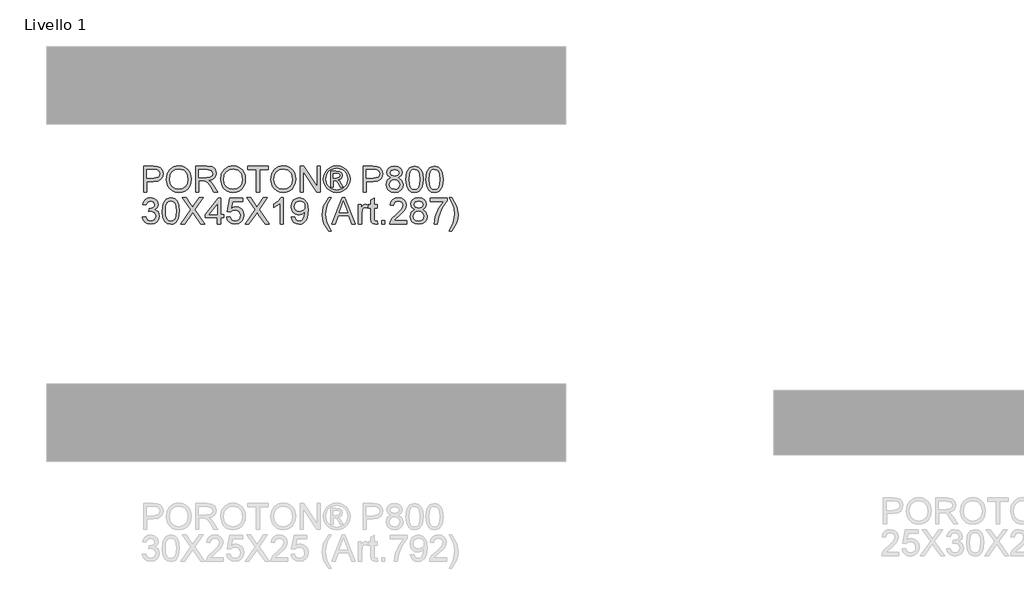
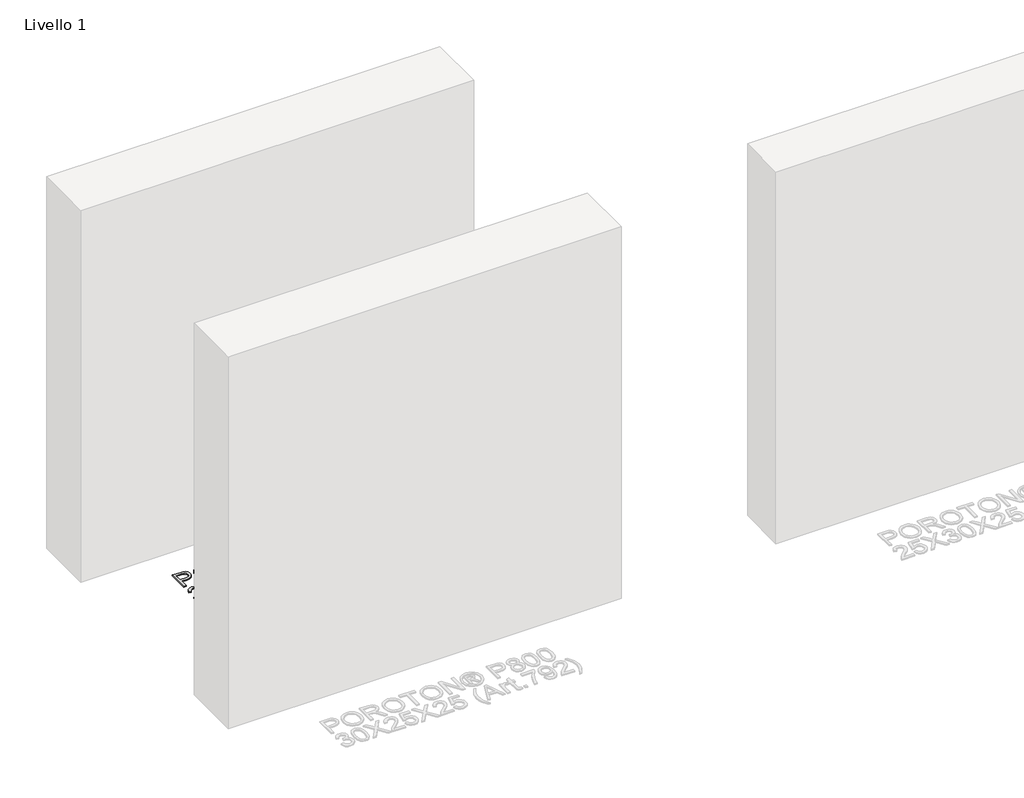
# One storey, part 5 of 8: 1 proxy.
"""IFC4 building model written with IfcOpenShell, lengths in millimetres."""

from ifc_helpers import new_model, si_unit, origin, origin_with_axes, place, context, project, spatial, polyline, outline, extrude, element, save

model = new_model("IFC4")

# Units and contexts
model_context = context("Model", 3, world=origin())
ifc_project = project(units=[si_unit("LENGTHUNIT", "METRE", prefix="MILLI")], contexts=[model_context])

# Site, building, storey
site = spatial("IfcSite", under=ifc_project)
building = spatial("IfcBuilding", under=site)
storey = spatial("IfcBuildingStorey", under=building, Name="Livello 1", Elevation=0.0)

# Proxy
placement = place(None, origin())
element("IfcBuildingElementProxy", 1, Name="100", ObjectType="100", at=placement, inside=storey, context=model_context, shape_type="SweptSolid", body=[
    extrude(outline(polyline([(-1769.2904212, 5165.8662597), (-1769.2904212, 5266.3225698), (-1732.0607633, 5266.3225698), (-1717.0511779, 5265.3660766), (-1704.8497584, 5260.6694498), (-1696.9402955, 5250.9573651), (-1693.9481886, 5237.2598922), (-1695.9684739, 5225.4202233), (-1702.0293298, 5215.5548545), (-1713.3631609, 5208.8961904), (-1731.202372, 5206.6766356), (-1756.7333825, 5206.6766356), (-1756.7333825, 5165.8662597), (-1769.2904212, 5165.8662597)]), holes=[polyline([(-1756.7333825, 5219.2336744), (-1730.466608, 5219.2336744), (-1711.9744064, 5223.8444621), (-1707.8725221, 5229.3933489), (-1706.5052274, 5236.8184338), (-1709.7303262, 5247.2172315), (-1718.2038748, 5252.9071397), (-1730.7609136, 5253.765531), (-1756.7333825, 5253.765531), (-1756.7333825, 5219.2336744)])]), origin_with_axes(), (0.0, 0.0, 1.0), 5.0),
    extrude(outline(polyline([(-1681.3911499, 5214.7700395), (-1678.0434237, 5236.9839807), (-1668.0002452, 5253.7900565), (-1652.6656974, 5264.3666639), (-1633.4438632, 5267.8921996), (-1620.2675564, 5266.2367307), (-1608.4524129, 5261.2703237), (-1598.6422264, 5253.3424667), (-1591.4807902, 5242.8026476), (-1587.1029945, 5230.1597697), (-1585.6437292, 5215.9227365), (-1587.1796366, 5201.4956309), (-1591.7873586, 5188.6749434), (-1599.2124435, 5178.1167301), (-1609.2004397, 5170.4770473), (-1620.9144155, 5165.8417342), (-1633.5174396, 5164.2966298), (-1646.8960814, 5166.0042154), (-1658.7786699, 5171.1269722), (-1668.564331, 5179.201982), (-1675.6521907, 5189.7663266), (-1681.3911499, 5214.7700395)]), holes=[polyline([(-1668.8341111, 5214.6474122), (-1666.3233165, 5198.9327197), (-1658.7909326, 5186.9581607), (-1647.4693642, 5179.3797916), (-1633.591016, 5176.8536686), (-1619.5103326, 5179.4043171), (-1608.1703701, 5187.0562626), (-1600.6931685, 5199.3987035), (-1598.200768, 5216.0208383), (-1602.4681992, 5236.7448574), (-1614.9393988, 5250.4668558), (-1633.3702868, 5255.3351609), (-1646.8776873, 5252.9899132), (-1658.361737, 5245.95417), (-1666.2160176, 5233.4369851), (-1668.8341111, 5214.6474122)])]), origin_with_axes(), (0.0, 0.0, 1.0), 5.0),
    extrude(outline(polyline([(-1568.3778009, 5165.8662597), (-1568.3778009, 5266.3225698), (-1525.0903528, 5266.3225698), (-1504.9917332, 5263.6125058), (-1494.0043242, 5254.0230484), (-1489.8963086, 5238.829522), (-1491.5977629, 5228.9334964), (-1496.7021255, 5220.7297279), (-1505.3626808, 5214.7148572), (-1517.7327129, 5211.3855252), (-1510.5958022, 5206.0144481), (-1500.4177337, 5193.0895273), (-1483.6668402, 5165.8662597), (-1498.2594927, 5165.8662597), (-1511.3315662, 5186.6883806), (-1520.7738708, 5200.4716927), (-1527.4080094, 5206.983204), (-1533.3799605, 5209.3744369), (-1540.664024, 5209.8158953), (-1555.8207622, 5209.8158953), (-1555.8207622, 5165.8662597), (-1568.3778009, 5165.8662597)]), holes=[polyline([(-1555.8207622, 5222.3729341), (-1527.7145777, 5222.3729341), (-1513.3794427, 5224.1510304), (-1505.2369878, 5229.8409386), (-1502.4533474, 5238.3635382), (-1507.7631109, 5249.4245235), (-1524.5507926, 5253.765531), (-1555.8207622, 5253.765531), (-1555.8207622, 5222.3729341)])]), origin_with_axes(), (0.0, 0.0, 1.0), 5.0),
    extrude(outline(polyline([(-1472.6303803, 5214.7700395), (-1469.2826542, 5236.9839807), (-1459.2394757, 5253.7900565), (-1443.9049279, 5264.3666639), (-1424.6830936, 5267.8921996), (-1411.5067868, 5266.2367307), (-1399.6916434, 5261.2703237), (-1389.8814569, 5253.3424667), (-1382.7200207, 5242.8026476), (-1378.342225, 5230.1597697), (-1376.8829597, 5215.9227365), (-1378.418867, 5201.4956309), (-1383.026589, 5188.6749434), (-1390.451674, 5178.1167301), (-1400.4396701, 5170.4770473), (-1412.153646, 5165.8417342), (-1424.75667, 5164.2966298), (-1438.1353119, 5166.0042154), (-1450.0179004, 5171.1269722), (-1459.8035614, 5179.201982), (-1466.8914212, 5189.7663266), (-1472.6303803, 5214.7700395)]), holes=[polyline([(-1460.0733416, 5214.6474122), (-1457.5625469, 5198.9327197), (-1450.0301631, 5186.9581607), (-1438.7085947, 5179.3797916), (-1424.8302464, 5176.8536686), (-1410.7495631, 5179.4043171), (-1399.4096006, 5187.0562626), (-1391.932399, 5199.3987035), (-1389.4399985, 5216.0208383), (-1393.7074296, 5236.7448574), (-1406.1786293, 5250.4668558), (-1424.6095172, 5255.3351609), (-1438.1169178, 5252.9899132), (-1449.6009674, 5245.95417), (-1457.455248, 5233.4369851), (-1460.0733416, 5214.6474122)])]), origin_with_axes(), (0.0, 0.0, 1.0), 5.0),
    extrude(outline(polyline([(-1334.5029539, 5165.8662597), (-1334.5029539, 5253.765531), (-1367.4651806, 5253.765531), (-1367.4651806, 5266.3225698), (-1288.9836883, 5266.3225698), (-1288.9836883, 5253.765531), (-1321.9459151, 5253.765531), (-1321.9459151, 5165.8662597), (-1334.5029539, 5165.8662597)])), origin_with_axes(), (0.0, 0.0, 1.0), 5.0),
    extrude(outline(polyline([(-1279.5659093, 5214.7700395), (-1276.2181831, 5236.9839807), (-1266.1750046, 5253.7900565), (-1250.8404568, 5264.3666639), (-1231.6186226, 5267.8921996), (-1218.4423158, 5266.2367307), (-1206.6271723, 5261.2703237), (-1196.8169858, 5253.3424667), (-1189.6555496, 5242.8026476), (-1185.2777539, 5230.1597697), (-1183.8184886, 5215.9227365), (-1185.354396, 5201.4956309), (-1189.962118, 5188.6749434), (-1197.3872029, 5178.1167301), (-1207.3751991, 5170.4770473), (-1219.0891749, 5165.8417342), (-1231.692199, 5164.2966298), (-1245.0708408, 5166.0042154), (-1256.9534293, 5171.1269722), (-1266.7390904, 5179.201982), (-1273.8269501, 5189.7663266), (-1279.5659093, 5214.7700395)]), holes=[polyline([(-1267.0088705, 5214.6474122), (-1264.4980759, 5198.9327197), (-1256.965692, 5186.9581607), (-1245.6441236, 5179.3797916), (-1231.7657754, 5176.8536686), (-1217.685092, 5179.4043171), (-1206.3451295, 5187.0562626), (-1198.8679279, 5199.3987035), (-1196.3755274, 5216.0208383), (-1200.6429586, 5236.7448574), (-1213.1141582, 5250.4668558), (-1231.5450462, 5255.3351609), (-1245.0524467, 5252.9899132), (-1256.5364964, 5245.95417), (-1264.390777, 5233.4369851), (-1267.0088705, 5214.6474122)])]), origin_with_axes(), (0.0, 0.0, 1.0), 5.0),
    extrude(outline(polyline([(-1166.5525603, 5165.8662597), (-1166.5525603, 5266.3225698), (-1153.1126048, 5266.3225698), (-1100.6281068, 5186.7374315), (-1100.6281068, 5266.3225698), (-1088.071068, 5266.3225698), (-1088.071068, 5165.8662597), (-1101.5110236, 5165.8662597), (-1153.9955216, 5245.4759234), (-1153.9955216, 5165.8662597), (-1166.5525603, 5165.8662597)])), origin_with_axes(), (0.0, 0.0, 1.0), 5.0),
    extrude(outline(polyline([(-1025.2613487, 5267.8921996), (-1012.3670848, 5266.2183366), (-999.7793892, 5261.1967473), (-988.7214696, 5253.0604239), (-980.4165335, 5242.0423581), (-975.2202003, 5229.3197725), (-973.4880893, 5216.0698893), (-975.1956749, 5202.936502), (-980.3184317, 5190.3181496), (-988.5222001, 5179.3399377), (-999.4728209, 5171.1269722), (-1012.0819763, 5166.0042154), (-1025.2613487, 5164.2966298), (-1038.4223271, 5166.0042154), (-1051.0253511, 5171.1269722), (-1061.9851689, 5179.3399377), (-1070.2165285, 5190.3181496), (-1075.3668765, 5202.936502), (-1077.0836591, 5216.0698893), (-1075.342351, 5229.3197725), (-1070.1184267, 5242.0423581), (-1061.7858995, 5253.0604239), (-1050.7187828, 5261.1967473), (-1038.1372186, 5266.2183366), (-1025.2613487, 5267.8921996)]), holes=[polyline([(-1025.2613487, 5258.4744206), (-1046.0834697, 5252.9929788), (-1055.111907, 5246.331249), (-1061.9391836, 5237.3089431), (-1067.66588, 5216.0698893), (-1062.0495482, 5195.0147764), (-1046.3287243, 5179.3307407), (-1025.2613487, 5173.7144089), (-1004.1817104, 5179.3307407), (-988.4976747, 5195.0147764), (-982.9058683, 5216.0698893), (-988.5957765, 5237.3089431), (-995.4046591, 5246.331249), (-1004.4514905, 5252.9929788), (-1025.2613487, 5258.4744206)])]), origin_with_axes(), (0.0, 0.0, 1.0), 5.0),
    extrude(outline(polyline([(-1048.8303219, 5184.7018178), (-1048.8303219, 5247.4870116), (-1028.5477612, 5247.4870116), (-1013.4891249, 5245.7579663), (-1006.0701713, 5239.7247015), (-1003.3110563, 5230.5644399), (-1008.0689968, 5218.6450632), (-1020.6750865, 5212.955155), (-1015.7699933, 5209.6196916), (-1007.2106055, 5197.0871783), (-1000.1717967, 5184.7018178), (-1010.7667981, 5184.7018178), (-1016.285028, 5194.6591571), (-1025.5311289, 5209.0801314), (-1033.5509564, 5211.3855252), (-1039.4125428, 5211.3855252), (-1039.4125428, 5184.7018178), (-1048.8303219, 5184.7018178)]), holes=[polyline([(-1039.4125428, 5220.8033043), (-1027.4931662, 5220.8033043), (-1015.8435697, 5223.1945372), (-1012.7288354, 5229.5343703), (-1014.2248889, 5234.096107), (-1018.3819554, 5237.0882139), (-1028.2534556, 5238.0692326), (-1039.4125428, 5238.0692326), (-1039.4125428, 5220.8033043)])]), origin_with_axes(), (0.0, 0.0, 1.0), 5.0),
    extrude(outline(polyline([(-923.2599342, 5165.8662597), (-923.2599342, 5266.3225698), (-886.0302763, 5266.3225698), (-871.0206909, 5265.3660766), (-858.8192714, 5260.6694498), (-850.9098085, 5250.9573651), (-847.9177016, 5237.2598922), (-849.9379869, 5225.4202233), (-855.9988427, 5215.5548545), (-867.3326739, 5208.8961904), (-885.171885, 5206.6766356), (-910.7028954, 5206.6766356), (-910.7028954, 5165.8662597), (-923.2599342, 5165.8662597)]), holes=[polyline([(-910.7028954, 5219.2336744), (-884.436121, 5219.2336744), (-865.9439193, 5223.8444621), (-861.8420351, 5229.3933489), (-860.4747404, 5236.8184338), (-863.6998392, 5247.2172315), (-872.1733878, 5252.9071397), (-884.7304266, 5253.765531), (-910.7028954, 5253.765531), (-910.7028954, 5219.2336744)])]), origin_with_axes(), (0.0, 0.0, 1.0), 5.0),
    extrude(outline(polyline([(-817.0646649, 5221.1957117), (-828.505795, 5228.99481), (-832.2214031, 5241.1349159), (-830.1980522, 5250.9512338), (-824.1279992, 5259.0630318), (-814.6918261, 5264.5076853), (-802.5701143, 5266.3225698), (-790.3748262, 5264.4647657), (-780.8160257, 5258.8913535), (-774.6356081, 5250.6507968), (-772.575469, 5240.7915593), (-776.2420262, 5228.9580218), (-787.3643252, 5221.1957117), (-774.0102088, 5211.348737), (-769.4362093, 5195.1006155), (-771.7048149, 5183.0953998), (-778.5106318, 5173.1748486), (-789.0197942, 5166.5161845), (-802.398436, 5164.2966298), (-815.7770779, 5166.5253816), (-826.2862403, 5173.2116368), (-833.0920572, 5183.2272241), (-835.3606628, 5195.4439721), (-830.6027223, 5212.0722382), (-817.0646649, 5221.1957117)]), holes=[polyline([(-819.6643644, 5240.7670339), (-815.2129922, 5230.9077964), (-802.2512833, 5227.0818236), (-789.5470917, 5230.8832709), (-785.1325077, 5240.2029481), (-789.6942445, 5249.8537191), (-802.398436, 5253.765531), (-815.1394158, 5249.9395583), (-819.6643644, 5240.7670339)]), polyline([(-822.803624, 5195.8854305), (-820.7066967, 5186.4308632), (-813.2877431, 5179.3552661), (-802.3003342, 5176.8536686), (-793.7532092, 5178.1688467), (-787.3397997, 5182.1143811), (-781.9932481, 5195.493023), (-787.511478, 5209.1291823), (-794.0720402, 5213.1758842), (-802.7172671, 5214.5247849), (-811.1448305, 5213.1942783), (-817.4938606, 5209.2027587), (-822.803624, 5195.8854305)])]), origin_with_axes(), (0.0, 0.0, 1.0), 5.0),
    extrude(outline(polyline([(-758.4488004, 5215.2850743), (-754.7577177, 5244.1883364), (-743.7948342, 5260.8533908), (-725.4865736, 5266.3225698), (-710.8203447, 5263.0852082), (-700.6913271, 5253.7532683), (-694.8052152, 5238.8908357), (-692.5243468, 5215.2850743), (-696.1786413, 5186.5044396), (-707.1047366, 5169.802597), (-715.3360962, 5165.6731216), (-725.4865736, 5164.2966298), (-738.5341217, 5166.6878628), (-748.4424101, 5173.8615617), (-755.9472028, 5190.8515785), (-758.4488004, 5215.2850743)]), holes=[polyline([(-745.8917616, 5215.3095998), (-744.4202336, 5195.5574023), (-740.0056497, 5184.1254693), (-733.4328247, 5178.6716188), (-725.4865736, 5176.8536686), (-717.5403225, 5178.6777501), (-710.9674975, 5184.1499948), (-706.5529136, 5195.5880592), (-705.0813856, 5215.3095998), (-706.5038626, 5234.6172732), (-710.7712938, 5246.138111), (-717.331856, 5251.858676), (-725.6337264, 5253.765531), (-733.4941384, 5252.0855366), (-739.8094459, 5247.0455533), (-744.3711827, 5234.8073455), (-745.8917616, 5215.3095998)])]), origin_with_axes(), (0.0, 0.0, 1.0), 5.0),
    extrude(outline(polyline([(-681.5369379, 5215.2850743), (-677.8458552, 5244.1883364), (-666.8829718, 5260.8533908), (-648.5747111, 5266.3225698), (-633.9084823, 5263.0852082), (-623.7794647, 5253.7532683), (-617.8933527, 5238.8908357), (-615.6124844, 5215.2850743), (-619.2667789, 5186.5044396), (-630.1928741, 5169.802597), (-638.4242337, 5165.6731216), (-648.5747111, 5164.2966298), (-661.6222592, 5166.6878628), (-671.5305476, 5173.8615617), (-679.0353403, 5190.8515785), (-681.5369379, 5215.2850743)]), holes=[polyline([(-668.9798991, 5215.3095998), (-667.5083712, 5195.5574023), (-663.0937872, 5184.1254693), (-656.5209622, 5178.6716188), (-648.5747111, 5176.8536686), (-640.62846, 5178.6777501), (-634.0556351, 5184.1499948), (-629.6410511, 5195.5880592), (-628.1695231, 5215.3095998), (-629.5920002, 5234.6172732), (-633.8594313, 5246.138111), (-640.4199936, 5251.858676), (-648.7218639, 5253.765531), (-656.5822759, 5252.0855366), (-662.8975835, 5247.0455533), (-667.4593202, 5234.8073455), (-668.9798991, 5215.3095998)])]), origin_with_axes(), (0.0, 0.0, 1.0), 5.0),
    extrude(outline(polyline([(-1773.9993108, 5070.5751492), (-1761.442272, 5072.144779), (-1754.5138278, 5058.9255527), (-1741.5521188, 5054.8788507), (-1732.9436801, 5056.2706709), (-1726.2972787, 5060.4461316), (-1720.631896, 5074.2294437), (-1726.2482278, 5087.2156781), (-1740.5220492, 5092.3537633), (-1749.3266916, 5090.9803372), (-1747.9287401, 5103.537376), (-1745.9176518, 5103.3902232), (-1731.6683559, 5106.9954667), (-1726.9226781, 5111.5694662), (-1725.3407855, 5118.0809775), (-1729.9270478, 5127.9034268), (-1741.7483225, 5131.7907132), (-1753.7167501, 5127.8666386), (-1759.8726422, 5116.0944147), (-1772.4296809, 5117.6640446), (-1768.7324669, 5128.9396277), (-1762.1535105, 5137.357994), (-1753.1526644, 5142.6003125), (-1742.1897809, 5144.347752), (-1727.0453055, 5140.9019239), (-1716.450304, 5131.4841449), (-1712.7837468, 5118.8167415), (-1716.266363, 5107.2407214), (-1726.5670589, 5098.9265883), (-1712.8818486, 5090.3426751), (-1708.0748572, 5074.0087145), (-1710.4783529, 5061.7705068), (-1717.68884, 5051.5433873), (-1728.5720157, 5044.6272058), (-1741.9935772, 5042.321812), (-1754.133683, 5044.2899806), (-1764.017446, 5050.1944867), (-1770.8907079, 5059.2259896), (-1773.9993108, 5070.5751492)])), origin_with_axes(), (0.0, 0.0, 1.0), 5.0),
    extrude(outline(polyline([(-1697.0874483, 5093.3102565), (-1693.3963656, 5122.2135186), (-1682.4334822, 5138.878573), (-1664.1252216, 5144.347752), (-1649.4589927, 5141.1103904), (-1639.3299751, 5131.7784505), (-1633.4438632, 5116.9160178), (-1631.1629948, 5093.3102565), (-1634.8172893, 5064.5296217), (-1645.7433845, 5047.8277792), (-1653.9747442, 5043.6983038), (-1664.1252216, 5042.321812), (-1677.1727696, 5044.7130449), (-1687.0810581, 5051.8867438), (-1694.5858508, 5068.8767606), (-1697.0874483, 5093.3102565)]), holes=[polyline([(-1684.5304096, 5093.334782), (-1683.0588816, 5073.5825845), (-1678.6442976, 5062.1506515), (-1672.0714726, 5056.6968009), (-1664.1252216, 5054.8788507), (-1656.1789705, 5056.7029323), (-1649.6061455, 5062.175177), (-1645.1915615, 5073.6132413), (-1643.7200336, 5093.334782), (-1645.1425106, 5112.6424553), (-1649.4099417, 5124.1632932), (-1655.970504, 5129.8838582), (-1664.2723743, 5131.7907132), (-1672.1327863, 5130.1107187), (-1678.4480939, 5125.0707354), (-1683.0098306, 5112.8325277), (-1684.5304096, 5093.334782)])]), origin_with_axes(), (0.0, 0.0, 1.0), 5.0),
    extrude(outline(polyline([(-1626.4541052, 5043.8914418), (-1587.7283939, 5098.6322827), (-1620.1755859, 5144.347752), (-1605.1169495, 5144.347752), (-1586.8454771, 5118.6205378), (-1580.689585, 5108.589622), (-1573.4790979, 5118.792216), (-1555.4038292, 5144.347752), (-1540.1244637, 5144.347752), (-1572.5716557, 5098.4851299), (-1533.8459443, 5043.8914418), (-1548.9045807, 5043.8914418), (-1574.7053713, 5080.2872339), (-1580.0764484, 5087.8410775), (-1585.9870858, 5079.5514699), (-1611.1747397, 5043.8914418), (-1626.4541052, 5043.8914418)])), origin_with_axes(), (0.0, 0.0, 1.0), 5.0),
    extrude(outline(polyline([(-1485.1874191, 5043.8914418), (-1485.1874191, 5067.4358895), (-1530.7066846, 5067.4358895), (-1530.7066846, 5079.9929283), (-1482.0481594, 5142.7781221), (-1472.6303803, 5142.7781221), (-1472.6303803, 5079.9929283), (-1460.0733416, 5079.9929283), (-1460.0733416, 5067.4358895), (-1472.6303803, 5067.4358895), (-1472.6303803, 5043.8914418), (-1485.1874191, 5043.8914418)]), holes=[polyline([(-1485.1874191, 5079.9929283), (-1485.1874191, 5118.792216), (-1515.2556408, 5079.9929283), (-1485.1874191, 5079.9929283)])]), origin_with_axes(), (0.0, 0.0, 1.0), 5.0),
    extrude(outline(polyline([(-1449.0859326, 5070.5751492), (-1436.5288939, 5072.144779), (-1430.2013236, 5059.2075955), (-1417.0801991, 5054.8788507), (-1408.0793529, 5056.3841012), (-1401.3348497, 5060.8998527), (-1397.1226008, 5067.904939), (-1395.7185179, 5076.878194), (-1400.9792304, 5091.7896776), (-1407.5857779, 5095.8915618), (-1416.8839953, 5097.2588566), (-1427.9081924, 5095.0760901), (-1434.959264, 5089.4107073), (-1447.5163028, 5090.9803372), (-1436.5288939, 5142.7781221), (-1387.8703686, 5142.7781221), (-1387.8703686, 5130.2210833), (-1426.3753508, 5130.2210833), (-1431.7464279, 5102.5563573), (-1422.7762386, 5108.0010108), (-1413.3768536, 5109.8158953), (-1401.6444837, 5107.5656838), (-1391.9048079, 5100.8150492), (-1385.3473113, 5090.5266161), (-1383.1614791, 5077.663009), (-1385.1296478, 5065.1059702), (-1391.0341538, 5054.3638159), (-1402.3403938, 5045.332313), (-1417.12925, 5042.321812), (-1429.4624939, 5044.2562581), (-1439.2880088, 5050.0595966), (-1446.023315, 5059.0573771), (-1449.0859326, 5070.5751492)])), origin_with_axes(), (0.0, 0.0, 1.0), 5.0),
    extrude(outline(polyline([(-1378.4525896, 5043.8914418), (-1339.7268782, 5098.6322827), (-1372.1740702, 5144.347752), (-1357.1154338, 5144.347752), (-1338.8439614, 5118.6205378), (-1332.6880694, 5108.589622), (-1325.4775823, 5118.792216), (-1307.4023136, 5144.347752), (-1292.122948, 5144.347752), (-1324.57014, 5098.4851299), (-1285.8444286, 5043.8914418), (-1300.903065, 5043.8914418), (-1326.7038556, 5080.2872339), (-1332.0749327, 5087.8410775), (-1337.9855701, 5079.5514699), (-1363.173224, 5043.8914418), (-1378.4525896, 5043.8914418)])), origin_with_axes(), (0.0, 0.0, 1.0), 5.0),
    extrude(outline(polyline([(-1230.907384, 5043.8914418), (-1243.4644228, 5043.8914418), (-1243.4644228, 5122.1767304), (-1255.359274, 5113.7031818), (-1268.5785003, 5107.3633487), (-1268.5785003, 5119.2336744), (-1250.1721378, 5130.9813728), (-1239.0007879, 5144.347752), (-1230.907384, 5144.347752), (-1230.907384, 5043.8914418)])), origin_with_axes(), (0.0, 0.0, 1.0), 5.0),
    extrude(outline(polyline([(-1199.5147871, 5069.0055193), (-1186.9577483, 5070.5751492), (-1181.3168911, 5058.5944589), (-1170.6237878, 5054.8788507), (-1160.457982, 5057.2700837), (-1153.5663259, 5063.6589677), (-1149.4583103, 5074.5728002), (-1147.6434258, 5089.1409272), (-1147.7170022, 5091.5934738), (-1157.7601807, 5082.0775929), (-1171.53123, 5078.4232984), (-1182.9815571, 5080.6551159), (-1192.5127665, 5087.3505682), (-1198.9415043, 5097.6941836), (-1201.084417, 5110.8704904), (-1198.8372711, 5124.4821242), (-1192.0958335, 5135.1507021), (-1181.9698816, 5142.0484895), (-1169.5691927, 5144.347752), (-1151.677865, 5139.0993022), (-1139.3660809, 5124.1387677), (-1135.1599634, 5096.0325833), (-1139.3538182, 5065.5351659), (-1144.5685454, 5055.544104), (-1151.8250178, 5048.2569748), (-1160.8105355, 5043.8056027), (-1171.2123989, 5042.321812), (-1181.9484218, 5044.0723171), (-1190.513941, 5049.3238326), (-1196.5042861, 5057.7452646), (-1199.5147871, 5069.0055193)]), holes=[polyline([(-1147.7170022, 5111.164796), (-1149.0720342, 5119.6751328), (-1153.1371303, 5126.2234323), (-1159.4463065, 5130.398893), (-1167.533579, 5131.7907132), (-1175.9212885, 5130.2915941), (-1182.6412663, 5125.7942367), (-1187.0558502, 5118.9117777), (-1188.5273782, 5110.2573537), (-1187.135558, 5102.4981093), (-1182.9600973, 5096.3391516), (-1176.4056664, 5092.3200408), (-1167.8769355, 5090.9803372), (-1153.3946476, 5096.3391516), (-1149.1364136, 5102.7249699), (-1147.7170022, 5111.164796)])]), origin_with_axes(), (0.0, 0.0, 1.0), 5.0),
    extrude(outline(polyline([(-1056.6784711, 5015.6381046), (-1074.5084851, 5045.0931897), (-1079.9715328, 5062.2732788), (-1081.7925487, 5080.0665047), (-1076.3478951, 5110.6007103), (-1056.6784711, 5144.347752), (-1047.260692, 5144.347752), (-1059.0083904, 5124.4575987), (-1066.0717247, 5105.1805822), (-1069.2355099, 5079.9929283), (-1063.7418054, 5047.8032537), (-1047.260692, 5015.6381046), (-1056.6784711, 5015.6381046)])), origin_with_axes(), (0.0, 0.0, 1.0), 5.0),
    extrude(outline(polyline([(-1044.8326709, 5043.8914418), (-1004.7335334, 5144.347752), (-994.0404301, 5144.347752), (-953.9412926, 5043.8914418), (-967.2095699, 5043.8914418), (-978.7120136, 5075.2840387), (-1020.0864753, 5075.2840387), (-1031.5643936, 5043.8914418), (-1044.8326709, 5043.8914418)]), holes=[polyline([(-1015.4756877, 5087.8410775), (-983.2982758, 5087.8410775), (-992.3481729, 5112.5382221), (-999.3869817, 5131.7907132), (-1005.6409757, 5114.6964631), (-1015.4756877, 5087.8410775)])]), origin_with_axes(), (0.0, 0.0, 1.0), 5.0),
    extrude(outline(polyline([(-942.0954924, 5043.8914418), (-942.0954924, 5117.6640446), (-931.1080834, 5117.6640446), (-931.1080834, 5106.750212), (-923.3089851, 5116.8056532), (-915.4608359, 5119.2336744), (-902.8547462, 5115.3586507), (-907.0486009, 5104.1014617), (-915.8777688, 5106.6766356), (-922.9778913, 5104.1995635), (-927.5028399, 5097.332433), (-929.5384536, 5082.6662041), (-929.5384536, 5043.8914418), (-942.0954924, 5043.8914418)])), origin_with_axes(), (0.0, 0.0, 1.0), 5.0),
    extrude(outline(polyline([(-868.3228896, 5054.3638159), (-866.7532597, 5043.5235598), (-876.1465133, 5042.321812), (-886.6679384, 5044.4064766), (-891.9163882, 5049.8756556), (-893.4369671, 5064.1249515), (-893.4369671, 5105.1070058), (-902.8547462, 5105.1070058), (-902.8547462, 5117.6640446), (-893.4369671, 5117.6640446), (-893.4369671, 5135.5921605), (-880.8799284, 5142.9743258), (-880.8799284, 5117.6640446), (-868.3228896, 5117.6640446), (-868.3228896, 5105.1070058), (-880.8799284, 5105.1070058), (-880.8799284, 5064.4928335), (-880.2177408, 5058.0181104), (-878.0717625, 5055.7249793), (-873.7920686, 5054.8788507), (-868.3228896, 5054.3638159)])), origin_with_axes(), (0.0, 0.0, 1.0), 5.0),
    extrude(outline(polyline([(-852.6265911, 5043.8914418), (-852.6265911, 5056.4484806), (-840.0695524, 5056.4484806), (-840.0695524, 5043.8914418), (-852.6265911, 5043.8914418)])), origin_with_axes(), (0.0, 0.0, 1.0), 5.0),
    extrude(outline(polyline([(-755.3095407, 5056.4484806), (-755.3095407, 5043.8914418), (-821.2339942, 5043.8914418), (-819.8850936, 5052.5489314), (-812.2576735, 5065.8785224), (-796.5368496, 5080.4343867), (-774.8563373, 5101.3546095), (-769.4362093, 5115.5793799), (-774.549769, 5127.0940864), (-787.9038854, 5131.7907132), (-801.8220876, 5127.204451), (-807.1073256, 5114.5247849), (-819.6643644, 5116.0944147), (-816.6201408, 5128.2406519), (-810.0381188, 5137.1127394), (-800.2616548, 5142.5389988), (-787.6341053, 5144.347752), (-774.9145853, 5142.3366637), (-765.1565154, 5136.303399), (-758.9485067, 5127.2902901), (-756.8791705, 5116.3396694), (-759.110988, 5104.4325555), (-766.5299415, 5092.1207714), (-784.5193711, 5074.9161567), (-798.9648708, 5062.8373646), (-804.6302535, 5056.4484806), (-755.3095407, 5056.4484806)])), origin_with_axes(), (0.0, 0.0, 1.0), 5.0),
    extrude(outline(polyline([(-724.456504, 5099.2208939), (-735.8976341, 5107.0199922), (-739.6132422, 5119.160098), (-737.5898912, 5128.9764159), (-731.5198383, 5137.0882139), (-722.0836651, 5142.5328674), (-709.9619534, 5144.347752), (-697.7666653, 5142.4899479), (-688.2078647, 5136.9165357), (-682.0274472, 5128.675979), (-679.9673081, 5118.8167415), (-683.6338653, 5106.983204), (-694.7561643, 5099.2208939), (-681.4020478, 5089.3739191), (-676.8280484, 5073.1257977), (-679.096654, 5061.1205819), (-685.9024709, 5051.2000308), (-696.4116332, 5044.5413667), (-709.7902751, 5042.321812), (-723.168917, 5044.5505637), (-733.6780794, 5051.236819), (-740.4838963, 5061.2524063), (-742.7525019, 5073.4691542), (-737.9945614, 5090.0974204), (-724.456504, 5099.2208939)]), holes=[polyline([(-730.1954631, 5073.9106126), (-728.0985358, 5064.4560453), (-720.6795822, 5057.3804483), (-709.6921733, 5054.8788507), (-701.1450482, 5056.1940289), (-694.7316388, 5060.1395633), (-689.3850871, 5073.5182052), (-694.9033171, 5087.1543644), (-701.4638793, 5091.2010664), (-710.1091062, 5092.549967), (-718.5366696, 5091.2194605), (-724.8856997, 5087.2279408), (-730.1954631, 5073.9106126)]), polyline([(-727.0562034, 5118.792216), (-722.6048313, 5108.9329786), (-709.6431223, 5105.1070058), (-696.9389308, 5108.9084531), (-692.5243468, 5118.2281303), (-697.0860836, 5127.8789013), (-709.7902751, 5131.7907132), (-722.5312549, 5127.9647404), (-727.0562034, 5118.792216)])]), origin_with_axes(), (0.0, 0.0, 1.0), 5.0),
    extrude(outline(polyline([(-665.8406394, 5130.2210833), (-665.8406394, 5142.7781221), (-599.9161859, 5142.7781221), (-599.9161859, 5132.624579), (-618.616854, 5105.6097779), (-632.9274636, 5071.1882858), (-637.5873022, 5043.8914418), (-650.144341, 5043.8914418), (-645.1534086, 5072.2183554), (-631.4559356, 5104.2363517), (-612.4732247, 5130.2210833), (-665.8406394, 5130.2210833)])), origin_with_axes(), (0.0, 0.0, 1.0), 5.0),
    extrude(outline(polyline([(-582.6502576, 5015.6381046), (-592.0680367, 5015.6381046), (-575.5869233, 5047.8032537), (-570.0932188, 5079.9929283), (-573.257004, 5104.959853), (-580.2467619, 5124.261395), (-592.0680367, 5144.347752), (-582.6502576, 5144.347752), (-562.9808336, 5110.6007103), (-557.5361801, 5080.0665047), (-559.366393, 5062.2732788), (-564.8570318, 5045.0931897), (-582.6502576, 5015.6381046)])), origin_with_axes(), (0.0, 0.0, 1.0), 5.0),
])

save(model, "model.ifc")
